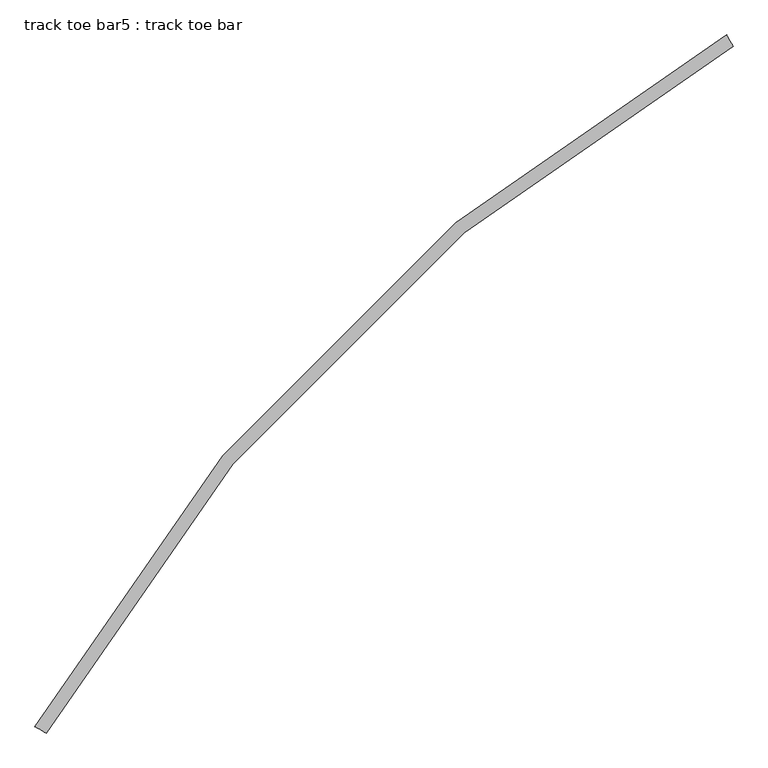
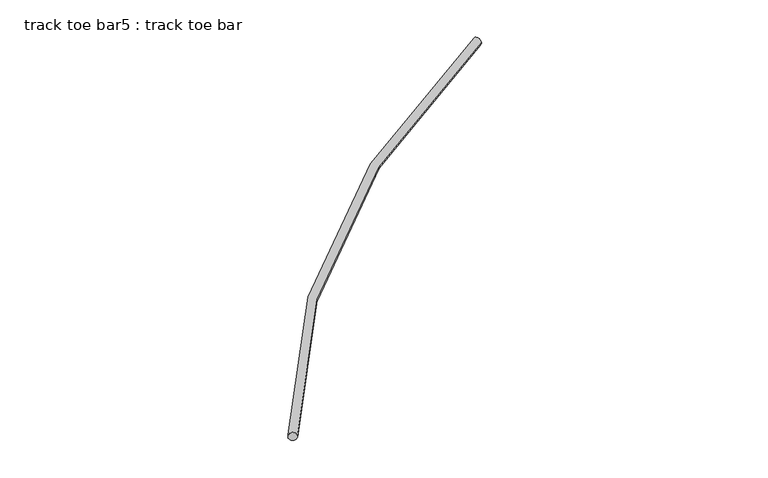
"""IFC4 building model written with IfcOpenShell, lengths in millimetres: proxy geometry, track toe bar5 : track toe bar."""

from ifc_helpers import new_model, si_unit, point, frame, origin, place, context, project, spatial, circle_curve, ellipse_curve, trimmed, source, transform, mapped, element, save
from ifc_brep_helpers import plane_surface, revolved_surface, advanced_brep


def track_toe_bar5_track_toe_bar_893cf317(model_context):
    return source(origin(), model_context, "Body", "AdvancedBrep", [
        advanced_brep(
        [(489686.8531664, -254708.1429059, 4855.8150744), (489753.112354, -254745.774808, 4855.8150744), (493689.901925, -250705.0941472, 4855.8150744), (493727.5338271, -250771.3533348, 4855.8150744)],
        [
            (0, 1, circle_curve(frame((489719.9827602, -254726.9588569, 4855.8150744), z_axis=(-0.493856982949602, -0.8695431446408605, 0.0), x_axis=(0.8695431446408605, -0.493856982949602, 0.0)), 38.1)),
            (1, 0, circle_curve(frame((489719.9827602, -254726.9588569, 4855.8150744), z_axis=(-0.493856982949602, -0.8695431446408605, 0.0), x_axis=(0.8695431446408605, -0.493856982949602, 0.0)), 38.1)),
            (2, 3, circle_curve(frame((493708.7178761, -250738.223741, 4855.8150744), z_axis=(0.8695431446408337, 0.49385698294964936, 0.0), x_axis=(0.49385698294964936, -0.8695431446408337, 0.0)), 38.1)),
            (3, 2, circle_curve(frame((493708.7178761, -250738.223741, 4855.8150744), z_axis=(0.8695431446408337, 0.49385698294964936, 0.0), x_axis=(0.49385698294964936, -0.8695431446408337, 0.0)), 38.1)),
            (2, 0, circle_curve(frame((498952.0962355, -259970.3372163, 4855.8150744), z_axis=(0.0, 0.0, 1.0), x_axis=(-0.8695431446408605, 0.493856982949602, 0.0)), 10655.3)),
            (1, 3, circle_curve(frame((498952.0962355, -259970.3372163, 4855.8150744), z_axis=(0.0, 0.0, -1.0), x_axis=(-0.8695431446408605, 0.493856982949602, 0.0)), 10579.1)),
        ],
        [
            plane_surface(frame((489719.9827602, -254726.9588569, 4927.6), z_axis=(-0.49385698294960206, -0.8695431446408606, 0.0), x_axis=(0.0, 0.0, 1.0))),
            plane_surface(frame((493708.7178761, -250738.223741, 4927.6), z_axis=(0.8695431446408337, 0.4938569829496494, 0.0), x_axis=(0.0, 0.0, 1.0))),
            revolved_surface(trimmed(ellipse_curve(frame((489719.9827602, -254726.9588569, 4855.8150744), z_axis=(-0.493856982949602, -0.8695431446408605, 0.0), x_axis=(0.8695431446408605, -0.493856982949602, 0.0)), 38.1, 38.1), [point((489753.112354, -254745.774808, 4855.8150744))], [point((489686.8531664, -254708.1429059, 4855.8150744))], True, "CARTESIAN"), (498952.0962355, -259970.3372163, 4927.6), (0.0, 0.0, -1.0)),
            revolved_surface(trimmed(ellipse_curve(frame((489719.9827602, -254726.9588569, 4855.8150744), z_axis=(-0.493856982949602, -0.8695431446408605, 0.0), x_axis=(0.8695431446408605, -0.493856982949602, 0.0)), 38.1, 38.1), [point((489686.8531664, -254708.1429059, 4855.8150744))], [point((489753.112354, -254745.774808, 4855.8150744))], True, "CARTESIAN"), (498952.0962355, -259970.3372163, 4927.6), (0.0, 0.0, -1.0)),
        ],
        [
            (0, [[1, 2]]),
            (1, [[3, 4]]),
            (2, [[5, -2, 6, -3]]),
            (3, [[-6, -1, -5, -4]]),
        ],
    ),
    ])


if __name__ == "__main__":
    model = new_model("IFC4")
    model_context = context("Model", 3, world=origin())
    ifc_project = project(units=[si_unit("LENGTHUNIT", "METRE", prefix="MILLI")], contexts=[model_context])
    site = spatial("IfcSite", under=ifc_project)
    building = spatial("IfcBuilding", under=site)
    placement = place(None, origin())
    track_toe_bar5_track_toe_bar_shape = track_toe_bar5_track_toe_bar_893cf317(model_context)
    element("IfcBuildingElementProxy", 1, Name="track toe bar5 : track toe bar", ObjectType="track toe bar5 : track toe bar", at=placement, inside=building, context=model_context, shape_type="MappedRepresentation", body=[
        mapped(track_toe_bar5_track_toe_bar_shape, transform((0.0, 0.0, 0.0), x_axis=(1.0, 0.0, 0.0), y_axis=(0.0, 1.0, 0.0), z_axis=(0.0, 0.0, 1.0))),
    ])
    save(model, "model.ifc")
